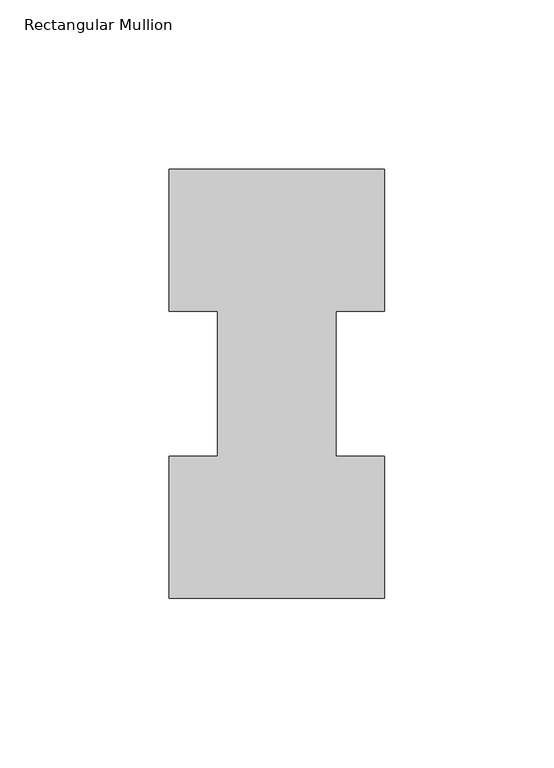
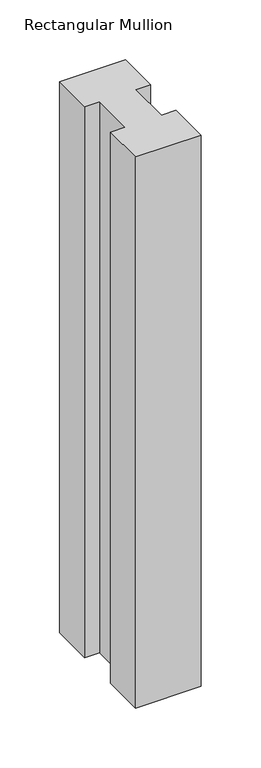
"""IFC4 building model written with IfcOpenShell, lengths in millimetres: member geometry, Rectangular Mullion."""

import ifcopenshell
import ifcopenshell.guid

model = None  # the IFC model being written
_history = None  # IfcOwnerHistory: only IFC2X3 demands one
_inside = {}  # id of a spatial element -> (the spatial element, [elements in it])
_under = {}  # id of a project, library or spatial element -> (it, [spatial elements below it])
_declared = {}  # id of a project -> (the project, [libraries it declares])
_typed = {}  # id of a type object -> (the type object, [elements of that type])
_made_of = {}  # id of a material, layer set ... -> (it, [elements and type objects made of it])


def new_model(schema):
    """Start an empty IFC model of exactly this schema.

    Asked for "IFC4X3", IfcOpenShell would pick the latest addendum, in which some entities
    have other attributes; the version numbers below select the first issue.
    IFC2X3 requires an IfcOwnerHistory on every rooted entity: one is made here for all.
    """
    global model, _history
    if schema == "IFC4X3":
        model = ifcopenshell.file(schema_version=(4, 3, 0, 0))
    else:
        model = ifcopenshell.file(schema=schema)
    _inside.clear()
    _under.clear()
    _declared.clear()
    _typed.clear()
    _made_of.clear()
    _history = None
    if model.schema == "IFC2X3":
        org = make("IfcOrganization", Name="unknown")
        user = make(
            "IfcPersonAndOrganization",
            ThePerson=make("IfcPerson", FamilyName="unknown"),
            TheOrganization=org,
        )
        app = make(
            "IfcApplication",
            ApplicationDeveloper=org,
            Version="unknown",
            ApplicationFullName="unknown",
            ApplicationIdentifier="unknown",
        )
        _history = make(
            "IfcOwnerHistory",
            OwningUser=user,
            OwningApplication=app,
            ChangeAction="ADDED",
            CreationDate=0,
        )
    return model


def make(cls, **values):
    """One entity of the class cls with the attributes given. An attribute that is None is left unset."""
    return model.create_entity(
        cls, **{name: value for name, value in values.items() if value is not None}
    )


def rooted(cls, **values):
    """An entity with a GlobalId (a new one), such as an element, a storey or a relation."""
    return make(cls, GlobalId=ifcopenshell.guid.new(), OwnerHistory=_history, **values)


def si_unit(unit_type, name, prefix=None):
    """IfcSIUnit, for example si_unit("LENGTHUNIT", "METRE", prefix="MILLI")."""
    return make("IfcSIUnit", UnitType=unit_type, Prefix=prefix, Name=name)


def assignment(units):
    """IfcUnitAssignment: the units of a project."""
    return None if units is None else make("IfcUnitAssignment", Units=units)


def point(xyz):
    """IfcCartesianPoint."""
    return None if xyz is None else make("IfcCartesianPoint", Coordinates=xyz)


def direction(xyz):
    """IfcDirection."""
    return None if xyz is None else make("IfcDirection", DirectionRatios=xyz)


def frame(location, z_axis=None, x_axis=None):
    """IfcAxis2Placement3D, a coordinate frame: its origin and axes. An axis left out is left unset."""
    return make(
        "IfcAxis2Placement3D",
        Location=point(location),
        Axis=direction(z_axis),
        RefDirection=direction(x_axis),
    )


def origin():
    """The frame at (0, 0, 0) with its axes left unset."""
    return frame((0.0, 0.0, 0.0))


def place(relative_to, where):
    """IfcLocalPlacement: puts the frame where relative to a parent placement (None: the world)."""
    return make(
        "IfcLocalPlacement", PlacementRelTo=relative_to, RelativePlacement=where
    )


def context(
    kind, dimensions, precision=None, world=None, true_north=None, identifier=None
):
    """IfcGeometricRepresentationContext, for example the 3D "Model" context."""
    return make(
        "IfcGeometricRepresentationContext",
        ContextIdentifier=identifier,
        ContextType=kind,
        CoordinateSpaceDimension=dimensions,
        Precision=precision,
        WorldCoordinateSystem=world,
        TrueNorth=true_north,
    )


def project(units=None, contexts=None):
    """IfcProject with its units and contexts."""
    return rooted(
        "IfcProject",
        Name="project",
        RepresentationContexts=contexts,
        UnitsInContext=assignment(units),
    )


def spatial(cls, under=None, at=None, **own):
    """A site, building, storey or space (cls), placed at a placement, below another one or the project."""
    s = rooted(cls, ObjectPlacement=at, **own)
    if under is not None:
        _under.setdefault(under.id(), (under, []))[1].append(s)
    return s


def polyline(points):
    """IfcPolyline through the points."""
    return make("IfcPolyline", Points=[point(p) for p in points])


def outline(outer, holes=None, kind="AREA"):
    """IfcArbitraryClosedProfileDef: a profile drawn as a closed curve; with holes, ...WithVoids."""
    if holes is None:
        return make("IfcArbitraryClosedProfileDef", ProfileType=kind, OuterCurve=outer)
    return make(
        "IfcArbitraryProfileDefWithVoids",
        ProfileType=kind,
        OuterCurve=outer,
        InnerCurves=holes,
    )


def extrude(swept, where, along, depth):
    """IfcExtrudedAreaSolid: the profile swept, set in the frame where, extruded along a direction by depth."""
    return make(
        "IfcExtrudedAreaSolid",
        SweptArea=swept,
        Position=where,
        ExtrudedDirection=direction(along),
        Depth=depth,
    )


def shape(context_of_items, identifier, shape_type, items):
    """IfcShapeRepresentation: the items that make up one representation, for example the "Body"."""
    return make(
        "IfcShapeRepresentation",
        ContextOfItems=context_of_items,
        RepresentationIdentifier=identifier,
        RepresentationType=shape_type,
        Items=items,
    )


def source(mapping_origin, context_of_items, identifier, shape_type, items):
    """IfcRepresentationMap: a shape defined once, which mapped items show again and again."""
    return make(
        "IfcRepresentationMap",
        MappingOrigin=mapping_origin,
        MappedRepresentation=shape(context_of_items, identifier, shape_type, items),
    )


def transform(
    local_origin,
    x_axis=None,
    y_axis=None,
    z_axis=None,
    scale=None,
    scale2=None,
    scale3=None,
    uniform=True,
):
    """IfcCartesianTransformationOperator3D, or its non-uniform kind. x_axis, y_axis, z_axis: its Axis1, 2, 3."""
    if uniform:
        return make(
            "IfcCartesianTransformationOperator3D",
            Axis1=direction(x_axis),
            Axis2=direction(y_axis),
            LocalOrigin=point(local_origin),
            Scale=scale,
            Axis3=direction(z_axis),
        )
    return make(
        "IfcCartesianTransformationOperator3DnonUniform",
        Axis1=direction(x_axis),
        Axis2=direction(y_axis),
        LocalOrigin=point(local_origin),
        Scale=scale,
        Axis3=direction(z_axis),
        Scale2=scale2,
        Scale3=scale3,
    )


def mapped(mapping_source, mapping_target):
    """IfcMappedItem: shows the shape of a source again, moved by a transform."""
    return make(
        "IfcMappedItem", MappingSource=mapping_source, MappingTarget=mapping_target
    )


def made_of(thing, what):
    """Note that an element or type object is made of a material, layer set ...; save() writes the relation."""
    if what is not None:
        _made_of.setdefault(what.id(), (what, []))[1].append(thing)
    return thing


def element(
    cls,
    number,
    at=None,
    inside=None,
    cuts=None,
    type_object=None,
    material=None,
    context=None,
    identifier="Body",
    shape_type=None,
    held_by="IfcProductDefinitionShape",
    body=None,
    shapes=None,
    **own,
):
    """One element of the class cls, such as IfcWall. Its Tag is "e" and its number.

    at: its placement. inside: the storey or other place that contains it. cuts: it is an
    opening in that element (IfcRelVoidsElement). A single representation is given by context,
    identifier, shape_type and body (its items); several are given by shapes. held_by: the class
    of the entity that holds the representations. save() writes the other relations.
    """
    e = rooted(cls, Tag="e%d" % number, ObjectPlacement=at, **own)
    if body is not None:
        shapes = [shape(context, identifier, shape_type, body)]
    if shapes is not None:
        e.Representation = make(held_by, Representations=shapes)
    if inside is not None:
        _inside.setdefault(inside.id(), (inside, []))[1].append(e)
    if cuts is not None:
        rooted(
            "IfcRelVoidsElement", RelatingBuildingElement=cuts, RelatedOpeningElement=e
        )
    if type_object is not None:
        _typed.setdefault(type_object.id(), (type_object, []))[1].append(e)
    return made_of(e, material)


def aggregate(whole, parts):
    """IfcRelAggregates: a whole, such as a stair, and the parts it consists of."""
    return rooted("IfcRelAggregates", RelatingObject=whole, RelatedObjects=parts)


def save(model, path):
    """Write the relations noted so far, then the file.

    IfcRelAggregates (storeys below a building ...), IfcRelContainedInSpatialStructure (elements
    in a storey), IfcRelDefinesByType, IfcRelAssociatesMaterial and IfcRelDeclares: one each for
    every whole, place, type object, material and project.
    """
    for whole, parts in _under.values():
        aggregate(whole, parts)
    for where, things in _inside.values():
        rooted(
            "IfcRelContainedInSpatialStructure",
            RelatedElements=things,
            RelatingStructure=where,
        )
    for kind, things in _typed.values():
        rooted("IfcRelDefinesByType", RelatedObjects=things, RelatingType=kind)
    for what, things in _made_of.values():
        rooted("IfcRelAssociatesMaterial", RelatedObjects=things, RelatingMaterial=what)
    for by, libraries in _declared.values():
        rooted("IfcRelDeclares", RelatingContext=by, RelatedDefinitions=libraries)
    model.write(path)


def rectangular_mullion_d9e281e0(model_context):
    return source(origin(), model_context, "Body", "SweptSolid", [
        extrude(outline(polyline([(-63.5, 0.26035), (-63.5, 42.08145), (-49.2125, 42.08145), (-49.2125, 84.93125), (-63.5, 84.93125), (-63.5, 126.75235), (0.0, 126.75235), (0.0, 84.93125), (-14.2748, 84.93125), (-14.2748, 42.08145), (0.0, 42.08145), (0.0, 0.26035), (-63.5, 0.26035)])), frame((0.0, 0.0, -561.9813826), z_axis=(0.0, 0.0, 1.0), x_axis=(1.0, 0.0, 0.0)), (0.0, 0.0, 1.0), 561.9813826),
    ])


if __name__ == "__main__":
    model = new_model("IFC4")
    model_context = context("Model", 3, world=origin())
    ifc_project = project(units=[si_unit("LENGTHUNIT", "METRE", prefix="MILLI")], contexts=[model_context])
    site = spatial("IfcSite", under=ifc_project)
    building = spatial("IfcBuilding", under=site)
    placement = place(None, origin())
    rectangular_mullion_shape = rectangular_mullion_d9e281e0(model_context)
    element("IfcMember", 1, ObjectType="Rectangular Mullion", at=placement, inside=building, context=model_context, shape_type="MappedRepresentation", body=[
        mapped(rectangular_mullion_shape, transform((0.0, 0.0, 0.0), x_axis=(1.0, 0.0, 0.0), y_axis=(0.0, 1.0, 0.0), z_axis=(0.0, 0.0, 1.0))),
    ])
    save(model, "model.ifc")
